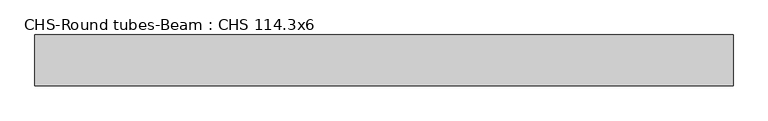
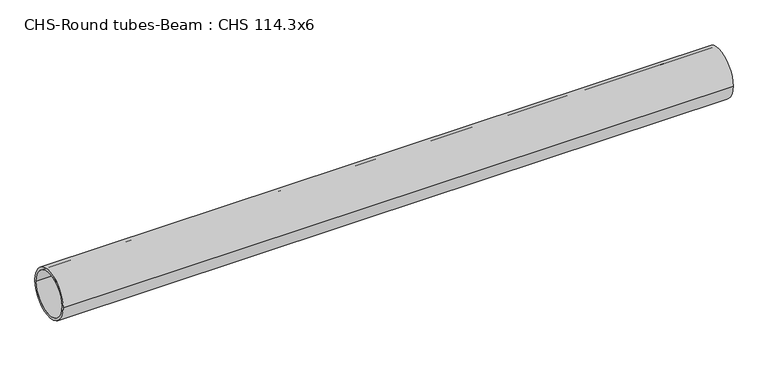
"""IFC4 building model written with IfcOpenShell, lengths in millimetres: beam geometry, CHS-Round tubes-Beam : CHS 114.3x6."""

from ifc_helpers import new_model, si_unit, point, frame, origin, origin_2d, place, context, project, spatial, circle_curve, trimmed, segment, composite_curve, outline, extrude, source, transform, mapped, element, save


def chs_round_tubes_beam_chs_114_3x6_6df0d840(model_context):
    return source(origin(), model_context, "Body", "SweptSolid", [
        extrude(outline(composite_curve([segment(trimmed(circle_curve(origin_2d(), 57.15), [point((57.15, 0.0))], [point((-57.15, 0.0))], False, "CARTESIAN"), True, "CONTINUOUS"), segment(trimmed(circle_curve(origin_2d(), 57.15), [point((-57.15, 0.0))], [point((57.15, 0.0))], False, "CARTESIAN"), True, "CONTINUOUS")], self_intersect=False), holes=[composite_curve([segment(trimmed(circle_curve(origin_2d(), 51.15), [point((51.15, 0.0))], [point((-51.15, 0.0))], True, "CARTESIAN"), True, "CONTINUOUS"), segment(trimmed(circle_curve(origin_2d(), 51.15), [point((-51.15, 0.0))], [point((51.15, 0.0))], True, "CARTESIAN"), True, "CONTINUOUS")], self_intersect=False)]), frame((-777.2486278, 0.0, 0.0), z_axis=(1.0, 0.0, 0.0), x_axis=(0.0, 1.0, 0.0)), (0.0, 0.0, 1.0), 1566.3852555),
    ])


if __name__ == "__main__":
    model = new_model("IFC4")
    model_context = context("Model", 3, world=origin())
    ifc_project = project(units=[si_unit("LENGTHUNIT", "METRE", prefix="MILLI")], contexts=[model_context])
    site = spatial("IfcSite", under=ifc_project)
    building = spatial("IfcBuilding", under=site)
    placement = place(None, origin())
    chs_round_tubes_beam_chs_114_3x6_shape = chs_round_tubes_beam_chs_114_3x6_6df0d840(model_context)
    element("IfcBeam", 1, ObjectType="CHS-Round tubes-Beam : CHS 114.3x6", at=placement, inside=building, context=model_context, shape_type="MappedRepresentation", body=[
        mapped(chs_round_tubes_beam_chs_114_3x6_shape, transform((0.0, 0.0, 0.0), x_axis=(1.0, 0.0, 0.0), y_axis=(0.0, 1.0, 0.0), z_axis=(0.0, 0.0, 1.0))),
    ])
    save(model, "model.ifc")
